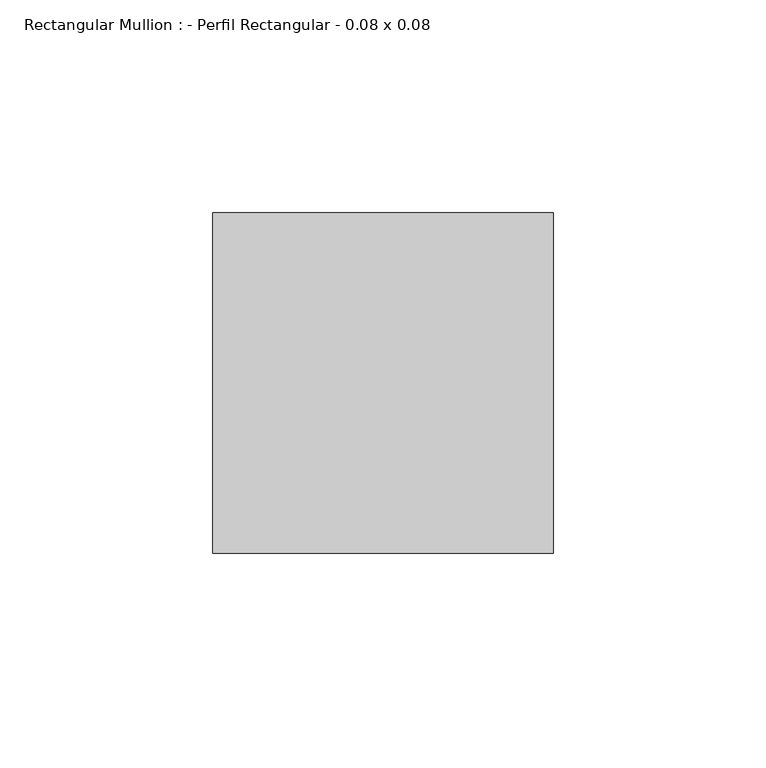
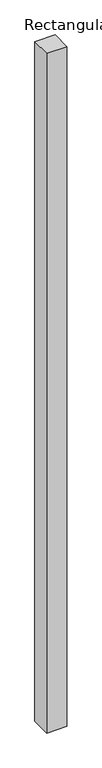
"""IFC4 building model written with IfcOpenShell, lengths in millimetres: member geometry, Rectangular Mullion : - Perfil Rectangular - 0.08 x 0.08."""

from ifc_helpers import new_model, si_unit, frame, origin, place, context, project, spatial, polyline, outline, extrude, source, transform, mapped, element, save


def rectangular_mullion_perfil_rectangular_0_08_x_0_08_448bcdb8(model_context):
    return source(origin(), model_context, "Body", "SweptSolid", [
        extrude(outline(polyline([(-80.0, 80.0), (0.0, 80.0), (0.0, 0.0), (-80.0, 0.0), (-80.0, 80.0)])), frame((0.0, 0.0, -2840.0), z_axis=(0.0, 0.0, 1.0), x_axis=(1.0, 0.0, 0.0)), (0.0, 0.0, 1.0), 2840.0),
    ])


if __name__ == "__main__":
    model = new_model("IFC4")
    model_context = context("Model", 3, world=origin())
    ifc_project = project(units=[si_unit("LENGTHUNIT", "METRE", prefix="MILLI")], contexts=[model_context])
    site = spatial("IfcSite", under=ifc_project)
    building = spatial("IfcBuilding", under=site)
    placement = place(None, origin())
    rectangular_mullion_perfil_rectangular_0_08_x_0_08_shape = rectangular_mullion_perfil_rectangular_0_08_x_0_08_448bcdb8(model_context)
    element("IfcMember", 1, ObjectType="Rectangular Mullion : - Perfil Rectangular - 0.08 x 0.08", at=placement, inside=building, context=model_context, shape_type="MappedRepresentation", body=[
        mapped(rectangular_mullion_perfil_rectangular_0_08_x_0_08_shape, transform((0.0, 0.0, 0.0), x_axis=(1.0, 0.0, 0.0), y_axis=(0.0, 1.0, 0.0), z_axis=(0.0, 0.0, 1.0))),
    ])
    save(model, "model.ifc")
